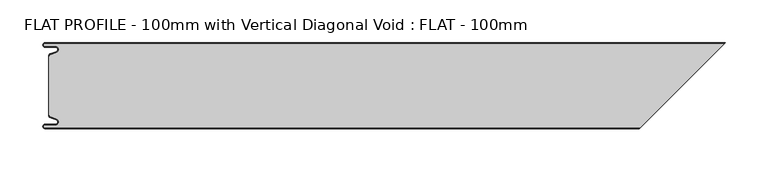
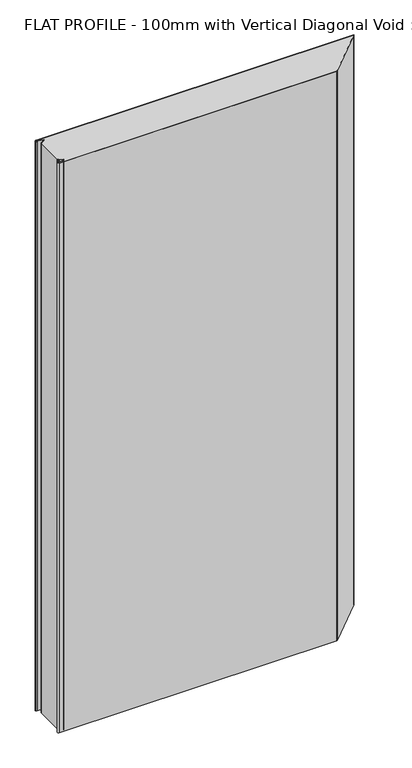
"""IFC4 building model written with IfcOpenShell, lengths in millimetres: proxy geometry, FLAT PROFILE - 100mm with Vertical Diagonal Void : FLAT - 100mm."""

from ifc_helpers import new_model, si_unit, point, frame_2d, origin, origin_with_axes, place, context, project, spatial, polyline, circle_curve, trimmed, segment, composite_curve, outline, extrude, source, transform, mapped, element, save


def flat_profile_100mm_with_vertical_diagonal_void_flat_100mm_d695d2da(model_context):
    return source(origin(), model_context, "Body", "SweptSolid", [
        extrude(outline(composite_curve([segment(trimmed(circle_curve(frame_2d((-591.0050311, -35.1831944)), 1.0022625), [point((-591.3794419, -36.1128969))], [point((-591.9881924, -35.3779357))], False, "CARTESIAN"), True, "CONTINUOUS"), segment(polyline([(-591.9881924, -35.3779357), (-591.9881924, -34.2522214), (-592.9881924, -34.2522214), (-592.9881924, 34.2522214), (-591.9881924, 34.2522214), (-591.9881924, 35.3779319)]), True, "CONTINUOUS"), segment(trimmed(circle_curve(frame_2d((-591.0050311, 35.1831907)), 1.0022625), [point((-591.9881924, 35.3779319))], [point((-591.3794419, 36.1128932))], False, "CARTESIAN"), True, "CONTINUOUS"), segment(polyline([(-591.3794419, 36.1128932), (-589.3904999, 36.9138819), (-583.8995097, 38.9124389)]), True, "CONTINUOUS"), segment(trimmed(circle_curve(frame_2d((-585.2882153, 42.3376458)), 3.6960175), [point((-583.8995097, 38.9124389))], [point((-584.9273771, 46.016007))], True, "CARTESIAN"), True, "CONTINUOUS"), segment(polyline([(-584.9273771, 46.016007), (-597.3733883, 46.016007)]), True, "CONTINUOUS"), segment(trimmed(circle_curve(frame_2d((-597.4921978, 47.5112943)), 1.5), [point((-597.3733883, 46.016007))], [point((-597.3084562, 48.9999981))], False, "CARTESIAN"), True, "CONTINUOUS"), segment(polyline([(-597.3084562, 48.9999981), (194.9833606, 48.9999981), (96.9833606, -49.0000019), (-597.3084562, -49.0000019)]), True, "CONTINUOUS"), segment(trimmed(circle_curve(frame_2d((-597.4921978, -47.511298)), 1.5), [point((-597.3084562, -49.0000019))], [point((-597.3733883, -46.0160107))], False, "CARTESIAN"), True, "CONTINUOUS"), segment(polyline([(-597.3733883, -46.0160107), (-584.9273771, -46.0160107)]), True, "CONTINUOUS"), segment(trimmed(circle_curve(frame_2d((-585.2882153, -42.3376495)), 3.6960175), [point((-584.9273771, -46.0160107))], [point((-583.8995097, -38.9124426))], True, "CARTESIAN"), True, "CONTINUOUS"), segment(polyline([(-583.8995097, -38.9124426), (-589.3904999, -36.9138856), (-591.3794419, -36.1128969)]), True, "CONTINUOUS")], self_intersect=False)), origin_with_axes(), (0.0, 0.0, 1.0), 1500.0),
        extrude(outline(composite_curve([segment(polyline([(-591.3794419, -36.1128969), (-589.3904999, -36.9138856), (-583.8995097, -38.9124426)]), True, "CONTINUOUS"), segment(trimmed(circle_curve(frame_2d((-585.2882153, -42.3376495)), 3.6960175), [point((-583.8995097, -38.9124426))], [point((-584.9273771, -46.0160107))], False, "CARTESIAN"), True, "CONTINUOUS"), segment(polyline([(-584.9273771, -46.0160107), (-597.3733883, -46.0160107)]), True, "CONTINUOUS"), segment(trimmed(circle_curve(frame_2d((-597.4921978, -47.511298)), 1.5), [point((-597.3733883, -46.0160107))], [point((-597.3084562, -49.0000019))], True, "CARTESIAN"), True, "CONTINUOUS"), segment(polyline([(-597.3084562, -49.0000019), (96.9833606, -49.0000019), (95.9833606, -50.0000019), (-597.2548091, -50.0000019)]), True, "CONTINUOUS"), segment(trimmed(circle_curve(frame_2d((-597.4921978, -47.511298)), 2.5), [point((-597.2548091, -50.0000019))], [point((-597.3387672, -45.0160107))], False, "CARTESIAN"), True, "CONTINUOUS"), segment(polyline([(-597.3387672, -45.0160107), (-584.9801705, -45.0160107)]), True, "CONTINUOUS"), segment(trimmed(circle_curve(frame_2d((-585.2882153, -42.3376495)), 2.6960175), [point((-584.9801705, -45.0160107))], [point((-584.2598383, -39.8454715))], True, "CARTESIAN"), True, "CONTINUOUS"), segment(polyline([(-584.2598383, -39.8454715), (-589.7483949, -37.8478003), (-591.7530074, -37.0405007)]), True, "CONTINUOUS"), segment(trimmed(circle_curve(frame_2d((-591.0050311, -35.1831944)), 2.0022625), [point((-591.7530074, -37.0405007))], [point((-592.9881924, -35.4591051))], False, "CARTESIAN"), True, "CONTINUOUS"), segment(polyline([(-592.9881924, -35.4591051), (-592.9881924, -34.2522214), (-591.9881924, -34.2522214), (-591.9881924, -35.3779357)]), True, "CONTINUOUS"), segment(trimmed(circle_curve(frame_2d((-591.0050311, -35.1831944)), 1.0022625), [point((-591.9881924, -35.3779357))], [point((-591.3794419, -36.1128969))], True, "CARTESIAN"), True, "CONTINUOUS")], self_intersect=False)), origin_with_axes(), (0.0, 0.0, 1.0), 1500.0),
        extrude(outline(composite_curve([segment(trimmed(circle_curve(frame_2d((-591.0050311, 35.1831907)), 1.0022625), [point((-591.3794419, 36.1128932))], [point((-591.9881924, 35.3779319))], True, "CARTESIAN"), True, "CONTINUOUS"), segment(polyline([(-591.9881924, 35.3779319), (-591.9881924, 34.2522177), (-592.9881924, 34.2522177), (-592.9881924, 35.4591014)]), True, "CONTINUOUS"), segment(trimmed(circle_curve(frame_2d((-591.0050311, 35.1831907)), 2.0022625), [point((-592.9881924, 35.4591014))], [point((-591.7530074, 37.040497))], False, "CARTESIAN"), True, "CONTINUOUS"), segment(polyline([(-591.7530074, 37.040497), (-589.7483949, 37.8477966), (-584.2598383, 39.8454678)]), True, "CONTINUOUS"), segment(trimmed(circle_curve(frame_2d((-585.2882153, 42.3376458)), 2.6960175), [point((-584.2598383, 39.8454678))], [point((-584.9801705, 45.016007))], True, "CARTESIAN"), True, "CONTINUOUS"), segment(polyline([(-584.9801705, 45.016007), (-597.3387672, 45.016007)]), True, "CONTINUOUS"), segment(trimmed(circle_curve(frame_2d((-597.4921978, 47.5112943)), 2.5), [point((-597.3387672, 45.016007))], [point((-597.2548091, 49.9999981))], False, "CARTESIAN"), True, "CONTINUOUS"), segment(polyline([(-597.2548091, 49.9999981), (195.9833606, 49.9999981), (194.9833606, 48.9999981), (-597.3084562, 48.9999981)]), True, "CONTINUOUS"), segment(trimmed(circle_curve(frame_2d((-597.4921978, 47.5112943)), 1.5), [point((-597.3084562, 48.9999981))], [point((-597.3733883, 46.016007))], True, "CARTESIAN"), True, "CONTINUOUS"), segment(polyline([(-597.3733883, 46.016007), (-584.9273771, 46.016007)]), True, "CONTINUOUS"), segment(trimmed(circle_curve(frame_2d((-585.2882153, 42.3376458)), 3.6960175), [point((-584.9273771, 46.016007))], [point((-583.8995097, 38.9124389))], False, "CARTESIAN"), True, "CONTINUOUS"), segment(polyline([(-583.8995097, 38.9124389), (-589.3904999, 36.9138819), (-591.3794419, 36.1128932)]), True, "CONTINUOUS")], self_intersect=False)), origin_with_axes(), (0.0, 0.0, 1.0), 1500.0),
    ])


if __name__ == "__main__":
    model = new_model("IFC4")
    model_context = context("Model", 3, world=origin())
    ifc_project = project(units=[si_unit("LENGTHUNIT", "METRE", prefix="MILLI")], contexts=[model_context])
    site = spatial("IfcSite", under=ifc_project)
    building = spatial("IfcBuilding", under=site)
    placement = place(None, origin())
    flat_profile_100mm_with_vertical_diagonal_void_flat_100mm_shape = flat_profile_100mm_with_vertical_diagonal_void_flat_100mm_d695d2da(model_context)
    element("IfcBuildingElementProxy", 1, Name="FLAT PROFILE - 100mm with Vertical Diagonal Void : FLAT - 100mm", ObjectType="FLAT PROFILE - 100mm with Vertical Diagonal Void : FLAT - 100mm", at=placement, inside=building, context=model_context, shape_type="MappedRepresentation", body=[
        mapped(flat_profile_100mm_with_vertical_diagonal_void_flat_100mm_shape, transform((0.0, 0.0, 0.0), x_axis=(1.0, 0.0, 0.0), y_axis=(0.0, 1.0, 0.0), z_axis=(0.0, 0.0, 1.0))),
    ])
    save(model, "model.ifc")
